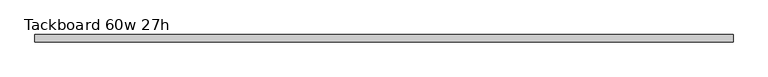
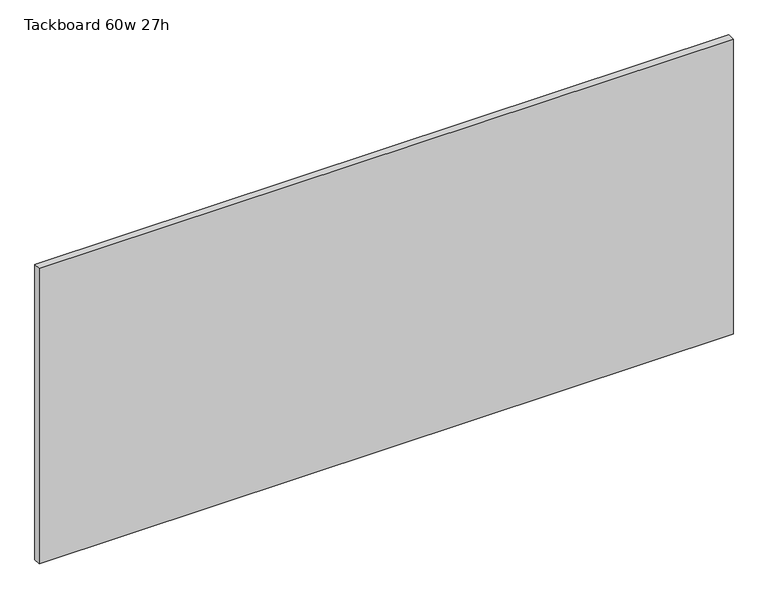
"""IFC4 building model written with IfcOpenShell, lengths in millimetres: furniture geometry, Tackboard 60w 27h."""

from ifc_helpers import new_model, si_unit, frame, origin, place, context, project, spatial, polyline, outline, extrude, source, transform, mapped, element, save


def tackboard_60w_27h_a7936005(model_context):
    return source(origin(), model_context, "Body", "SweptSolid", [
        extrude(outline(polyline([(764.4402902, -28.8968594), (-759.5597098, -28.8968594), (-759.5597098, -13.0218594), (764.4402902, -13.0218594), (764.4402902, -28.8968594)])), frame((0.0, 0.0, 1066.8), z_axis=(0.0, 0.0, 1.0), x_axis=(1.0, 0.0, 0.0)), (0.0, 0.0, 1.0), 685.8),
    ])


if __name__ == "__main__":
    model = new_model("IFC4")
    model_context = context("Model", 3, world=origin())
    ifc_project = project(units=[si_unit("LENGTHUNIT", "METRE", prefix="MILLI")], contexts=[model_context])
    site = spatial("IfcSite", under=ifc_project)
    building = spatial("IfcBuilding", under=site)
    placement = place(None, origin())
    tackboard_60w_27h_shape = tackboard_60w_27h_a7936005(model_context)
    element("IfcFurniture", 1, ObjectType="Tackboard 60w 27h", at=placement, inside=building, context=model_context, shape_type="MappedRepresentation", body=[
        mapped(tackboard_60w_27h_shape, transform((0.0, 0.0, 0.0), x_axis=(1.0, 0.0, 0.0), y_axis=(0.0, 1.0, 0.0), z_axis=(0.0, 0.0, 1.0))),
    ])
    save(model, "model.ifc")
